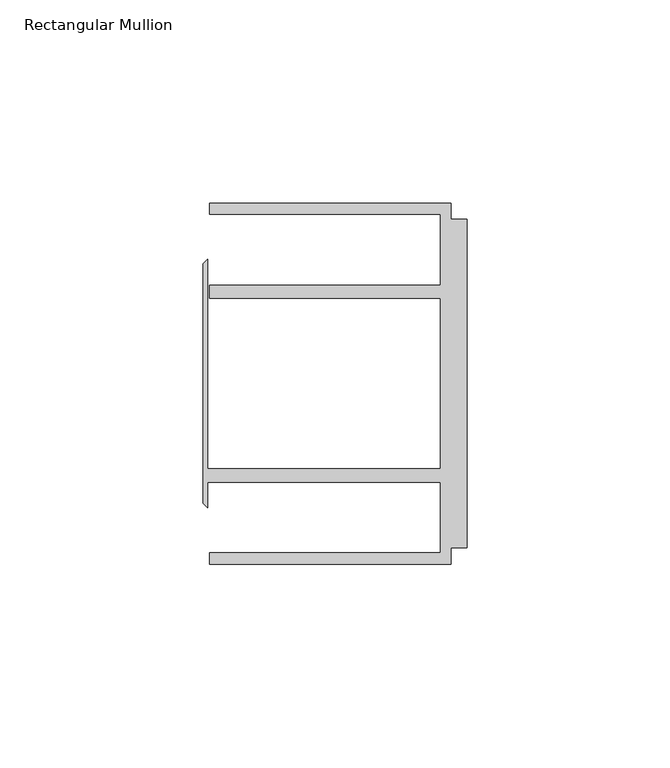
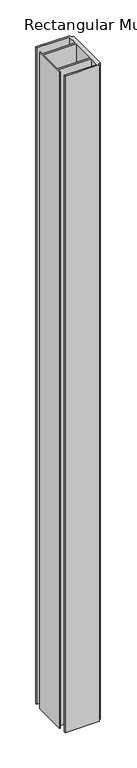
"""IFC4 building model written with IfcOpenShell, lengths in millimetres: member geometry, Rectangular Mullion."""

from ifc_helpers import new_model, si_unit, frame, origin, place, context, project, spatial, polyline, outline, extrude, source, transform, mapped, element, save


def rectangular_mullion_1d61adb4(model_context):
    return source(origin(), model_context, "Body", "SweptSolid", [
        extrude(outline(polyline([(-4.0000001, 44.45), (-4.0000001, 40.4500013), (0.0, 40.4500013), (0.0, -40.4500013), (-4.0000001, -40.4500013), (-4.0000001, -44.45), (-63.5, -44.45), (-63.5, -41.6500013), (-6.6000002, -41.6500013), (-6.6000002, -24.2500008), (-63.9424102, -24.2500008), (-63.9424102, -30.6159585), (-65.0875, -29.4708687), (-65.0875, 29.4708687), (-63.9424102, 30.6159585), (-63.9424102, -20.9500007), (-6.6000002, -20.9500007), (-6.6000002, 20.9500007), (-63.5, 20.9500007), (-63.5, 24.2500008), (-6.6000002, 24.2500008), (-6.6000002, 41.6500013), (-63.5, 41.6500013), (-63.5, 44.45), (-4.0000001, 44.45)])), frame((0.0, 0.0, -1209.675), z_axis=(0.0, 0.0, 1.0), x_axis=(1.0, 0.0, 0.0)), (0.0, 0.0, 1.0), 1209.675),
    ])


if __name__ == "__main__":
    model = new_model("IFC4")
    model_context = context("Model", 3, world=origin())
    ifc_project = project(units=[si_unit("LENGTHUNIT", "METRE", prefix="MILLI")], contexts=[model_context])
    site = spatial("IfcSite", under=ifc_project)
    building = spatial("IfcBuilding", under=site)
    placement = place(None, origin())
    rectangular_mullion_shape = rectangular_mullion_1d61adb4(model_context)
    element("IfcMember", 1, ObjectType="Rectangular Mullion", at=placement, inside=building, context=model_context, shape_type="MappedRepresentation", body=[
        mapped(rectangular_mullion_shape, transform((0.0, 0.0, 0.0), x_axis=(1.0, 0.0, 0.0), y_axis=(0.0, 1.0, 0.0), z_axis=(0.0, 0.0, 1.0))),
    ])
    save(model, "model.ifc")
